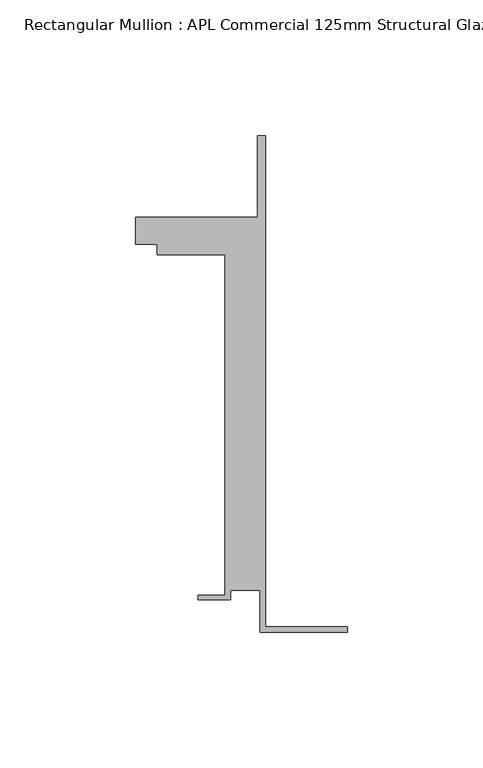
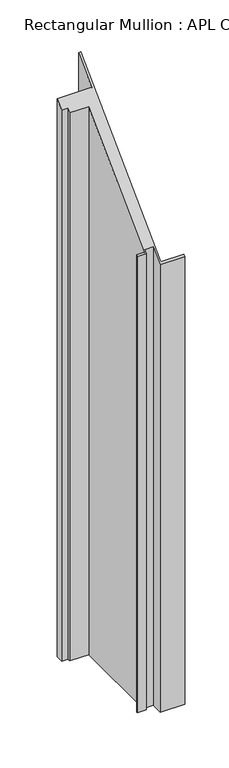
"""IFC4 building model written with IfcOpenShell, lengths in millimetres: member geometry, Rectangular Mullion : APL Commercial 125mm Structural Glaze SubSill."""

from ifc_helpers import new_model, si_unit, origin, place, context, project, spatial, faceted_brep, source, transform, mapped, element, save


def rectangular_mullion_apl_commercial_125mm_structural_glaze_c3e738ab(model_context):
    return source(origin(), model_context, "Body", "Brep", [
        faceted_brep([(-32.1465839, -41.25, -660.0369403), (-32.1465839, -25.75, -660.0369403), (-43.1465839, -25.75, -660.0369403), (-43.1465839, -29.25, -660.0369403), (-55.1465839, -29.25, -660.0369403), (-55.1465839, -27.75, -660.0369403), (-45.1465839, -27.75, -660.0369403), (-45.1465839, 97.75, -660.0369403), (-70.1466122, 97.75, -660.0369403), (-70.1466122, 101.75, -660.0369403), (-78.1466122, 101.75, -660.0369403), (-78.1466122, 111.75, -660.0369403), (-33.1466122, 111.75, -660.0369403), (-33.1466122, 141.75, -660.0369403), (-30.1465839, 141.75, -660.0369403), (-30.1465839, -39.25, -660.0369403), (0.0, -39.25, -660.0369403), (0.0, -41.25, -660.0369403), (0.0, -41.25, -41.25), (-32.1465839, -41.25, -41.25), (0.0, -39.25, -39.25), (-30.1465839, -39.25, -39.25), (-30.1465839, 141.75, 141.75), (-33.1466122, 141.75, 141.75), (-33.1466122, 111.75, 111.75), (-78.1466122, 111.75, 111.75), (-78.1466122, 101.75, 101.75), (-70.1466122, 101.75, 101.75), (-70.1466122, 97.75, 97.75), (-45.1465839, 97.75, 97.75), (-45.1465839, -27.75, -27.75), (-55.1465839, -27.75, -27.75), (-55.1465839, -29.25, -29.25), (-43.1465839, -29.25, -29.25), (-43.1465839, -25.75, -25.75), (-32.1465839, -25.75, -25.75)], [[[0, 1, 2, 3, 4, 5, 6, 7, 8, 9, 10, 11, 12, 13, 14, 15, 16, 17]], [[18, 19, 0, 17]], [[20, 18, 17, 16]], [[21, 20, 16, 15]], [[22, 21, 15, 14]], [[23, 22, 14, 13]], [[24, 23, 13, 12]], [[25, 24, 12, 11]], [[26, 25, 11, 10]], [[27, 26, 10, 9]], [[28, 27, 9, 8]], [[29, 28, 8, 7]], [[30, 29, 7, 6]], [[31, 30, 6, 5]], [[32, 31, 5, 4]], [[33, 32, 4, 3]], [[34, 33, 3, 2]], [[35, 34, 2, 1]], [[19, 35, 1, 0]], [[19, 18, 20, 21, 22, 23, 24, 25, 26, 27, 28, 29, 30, 31, 32, 33, 34, 35]]]),
    ])


if __name__ == "__main__":
    model = new_model("IFC4")
    model_context = context("Model", 3, world=origin())
    ifc_project = project(units=[si_unit("LENGTHUNIT", "METRE", prefix="MILLI")], contexts=[model_context])
    site = spatial("IfcSite", under=ifc_project)
    building = spatial("IfcBuilding", under=site)
    placement = place(None, origin())
    rectangular_mullion_apl_commercial_125mm_structural_glaze_shape = rectangular_mullion_apl_commercial_125mm_structural_glaze_c3e738ab(model_context)
    element("IfcMember", 1, ObjectType="Rectangular Mullion : APL Commercial 125mm Structural Glaze SubSill", at=placement, inside=building, context=model_context, shape_type="MappedRepresentation", body=[
        mapped(rectangular_mullion_apl_commercial_125mm_structural_glaze_shape, transform((0.0, 0.0, 0.0), x_axis=(1.0, 0.0, 0.0), y_axis=(0.0, 1.0, 0.0), z_axis=(0.0, 0.0, 1.0))),
    ])
    save(model, "model.ifc")
